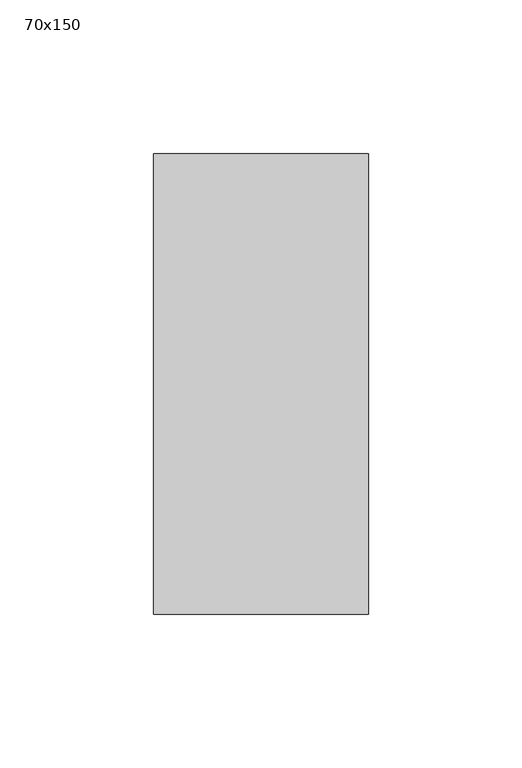
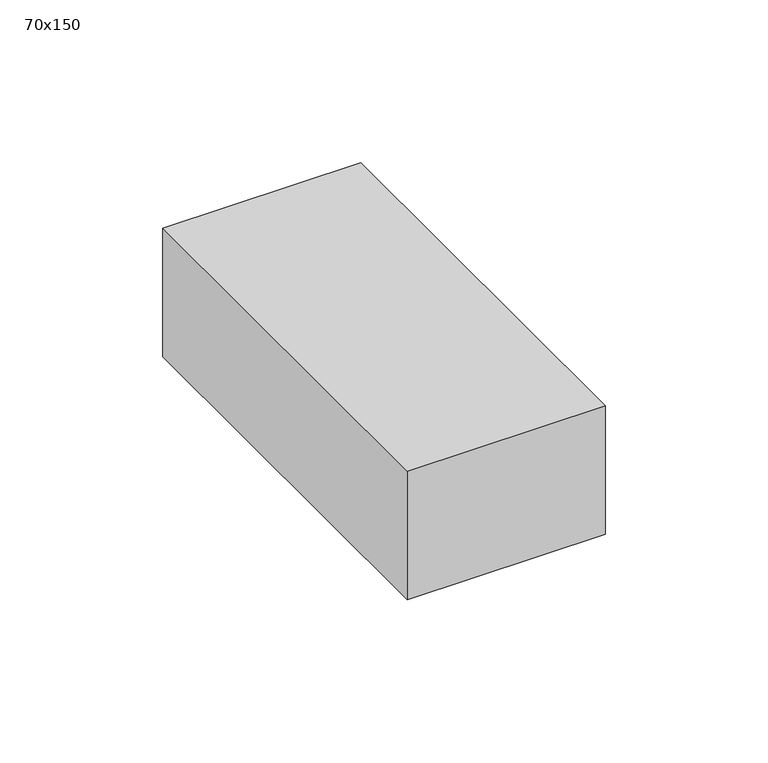
"""IFC4 building model written with IfcOpenShell, lengths in millimetres: member geometry, 70x150."""

from ifc_helpers import new_model, si_unit, frame, origin, place, context, project, spatial, polyline, outline, extrude, source, transform, mapped, element, save


def member_70x150_440e44aa(model_context):
    return source(origin(), model_context, "Body", "SweptSolid", [
        extrude(outline(polyline([(35.0, 75.0), (35.0, -75.0), (-35.0, -75.0), (-35.0, 75.0), (35.0, 75.0)])), frame((0.0, 0.0, -48.1002948), z_axis=(0.0, 0.0, 1.0), x_axis=(1.0, 0.0, 0.0)), (0.0, 0.0, 1.0), 48.1002948),
    ])


if __name__ == "__main__":
    model = new_model("IFC4")
    model_context = context("Model", 3, world=origin())
    ifc_project = project(units=[si_unit("LENGTHUNIT", "METRE", prefix="MILLI")], contexts=[model_context])
    site = spatial("IfcSite", under=ifc_project)
    building = spatial("IfcBuilding", under=site)
    placement = place(None, origin())
    member_70x150_shape = member_70x150_440e44aa(model_context)
    element("IfcMember", 1, ObjectType="70x150", at=placement, inside=building, context=model_context, shape_type="MappedRepresentation", body=[
        mapped(member_70x150_shape, transform((0.0, 0.0, 0.0), x_axis=(1.0, 0.0, 0.0), y_axis=(0.0, 1.0, 0.0), z_axis=(0.0, 0.0, 1.0))),
    ])
    save(model, "model.ifc")
